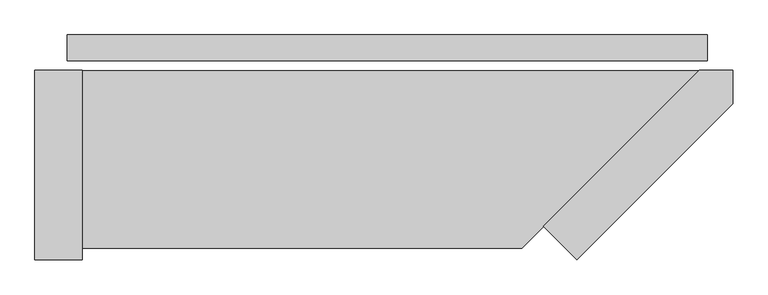
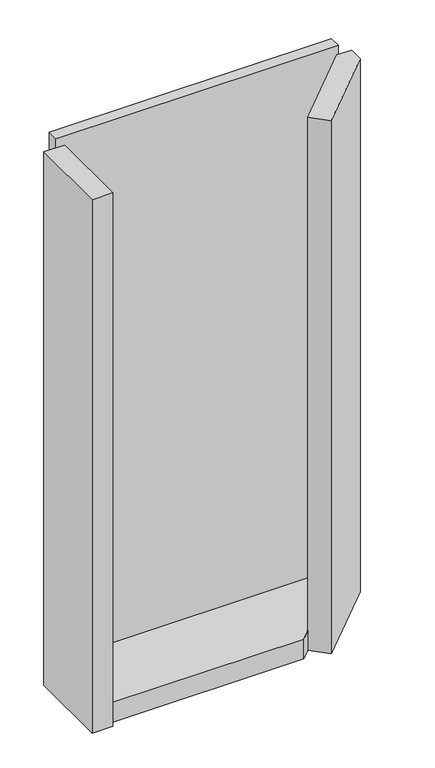
"""IFC4 building model written with IfcOpenShell, lengths in millimetres: plate geometry."""

from ifc_helpers import new_model, si_unit, frame, origin, origin_with_axes, place, context, project, spatial, polyline, outline, extrude, source, transform, mapped, element, save


def plate_1fd02f08(model_context):
    return source(origin(), model_context, "Body", "SweptSolid", [
        extrude(outline(polyline([(541.0, 0.0), (541.0, -44.0), (-541.0, -44.0), (-541.0, 0.0), (541.0, 0.0)])), origin_with_axes(), (0.0, 0.0, 1.0), 2132.0),
        extrude(outline(polyline([(264.0, -323.4314575), (527.4314575, -60.0), (584.0, -60.0), (584.0, -116.5685425), (320.5685425, -380.0), (264.0, -323.4314575)])), frame((0.0, 0.0, -55.0), z_axis=(0.0, 0.0, 1.0), x_axis=(1.0, 0.0, 0.0)), (0.0, 0.0, 1.0), 2162.0),
        extrude(outline(polyline([(-516.0, -360.0), (-516.0, -60.0), (527.4314575, -60.0), (227.4314575, -360.0), (-516.0, -360.0)])), frame((0.0, 0.0, -55.0), z_axis=(0.0, 0.0, 1.0), x_axis=(1.0, 0.0, 0.0)), (0.0, 0.0, 1.0), 80.0),
        extrude(outline(polyline([(-596.0, -60.0), (-516.0, -60.0), (-516.0, -380.0), (-596.0, -380.0), (-596.0, -60.0)])), frame((0.0, 0.0, -55.0), z_axis=(0.0, 0.0, 1.0), x_axis=(1.0, 0.0, 0.0)), (0.0, 0.0, 1.0), 2162.0),
    ])


if __name__ == "__main__":
    model = new_model("IFC4")
    model_context = context("Model", 3, world=origin())
    ifc_project = project(units=[si_unit("LENGTHUNIT", "METRE", prefix="MILLI")], contexts=[model_context])
    site = spatial("IfcSite", under=ifc_project)
    building = spatial("IfcBuilding", under=site)
    placement = place(None, origin())
    plate_shape = plate_1fd02f08(model_context)
    element("IfcPlate", 1, at=placement, inside=building, context=model_context, shape_type="MappedRepresentation", body=[
        mapped(plate_shape, transform((0.0, 0.0, 0.0), x_axis=(1.0, 0.0, 0.0), y_axis=(0.0, 1.0, 0.0), z_axis=(0.0, 0.0, 1.0))),
    ])
    save(model, "model.ifc")
